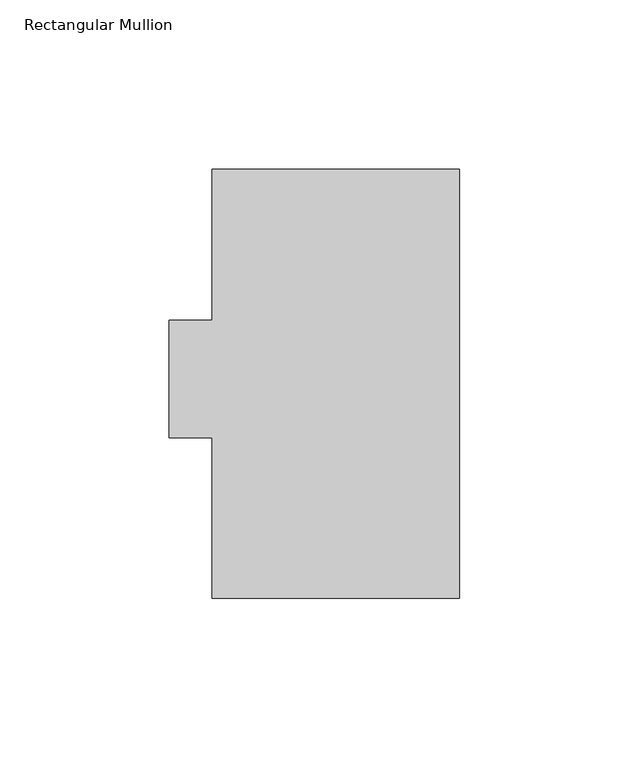
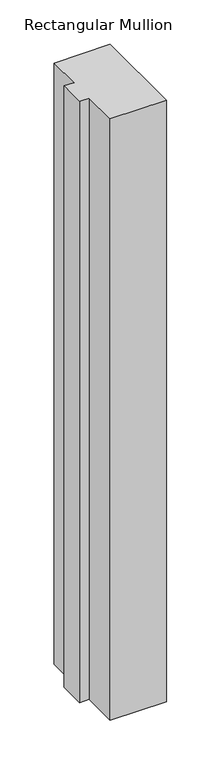
"""IFC4 building model written with IfcOpenShell, lengths in millimetres: member geometry, Rectangular Mullion."""

from ifc_helpers import new_model, si_unit, frame, origin, place, context, project, spatial, polyline, outline, extrude, source, transform, mapped, element, save


def rectangular_mullion_e4901315(model_context):
    return source(origin(), model_context, "Body", "SweptSolid", [
        extrude(outline(polyline([(0.0, 126.7348875), (0.0, 0.2428875), (-73.025, 0.2428875), (-73.025, 47.6138875), (-85.725, 47.6138875), (-85.725, 82.2848875), (-73.025, 82.2848875), (-73.025, 126.7348875), (0.0, 126.7348875)])), frame((0.0, 0.0, -825.5), z_axis=(0.0, 0.0, 1.0), x_axis=(1.0, 0.0, 0.0)), (0.0, 0.0, 1.0), 825.5),
    ])


if __name__ == "__main__":
    model = new_model("IFC4")
    model_context = context("Model", 3, world=origin())
    ifc_project = project(units=[si_unit("LENGTHUNIT", "METRE", prefix="MILLI")], contexts=[model_context])
    site = spatial("IfcSite", under=ifc_project)
    building = spatial("IfcBuilding", under=site)
    placement = place(None, origin())
    rectangular_mullion_shape = rectangular_mullion_e4901315(model_context)
    element("IfcMember", 1, ObjectType="Rectangular Mullion", at=placement, inside=building, context=model_context, shape_type="MappedRepresentation", body=[
        mapped(rectangular_mullion_shape, transform((0.0, 0.0, 0.0), x_axis=(1.0, 0.0, 0.0), y_axis=(0.0, 1.0, 0.0), z_axis=(0.0, 0.0, 1.0))),
    ])
    save(model, "model.ifc")
